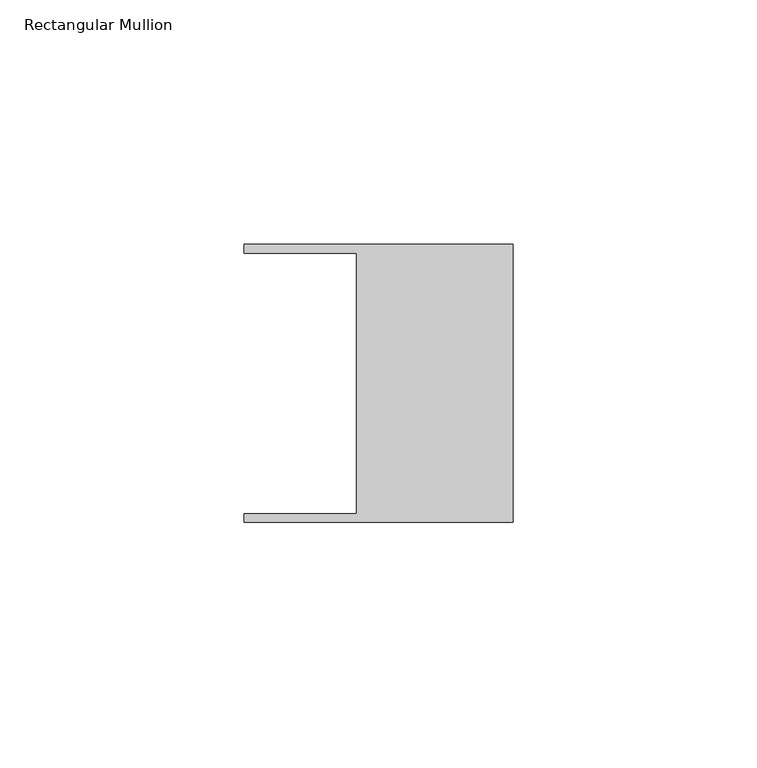
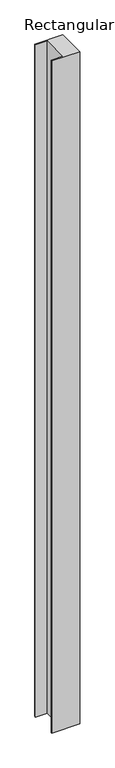
"""IFC4 building model written with IfcOpenShell, lengths in millimetres: member geometry, Rectangular Mullion."""

from ifc_helpers import new_model, si_unit, frame, origin, place, context, project, spatial, polyline, outline, extrude, source, transform, mapped, element, save


def rectangular_mullion_8103b32d(model_context):
    return source(origin(), model_context, "Body", "SweptSolid", [
        extrude(outline(polyline([(-32.004, -26.67), (-32.004, 26.67), (-54.991, 26.67), (-54.991, 28.448), (0.0, 28.448), (0.0, -28.448), (-54.991, -28.448), (-54.991, -26.67), (-32.004, -26.67)])), frame((0.0, 0.0, -1397.0), z_axis=(0.0, 0.0, 1.0), x_axis=(1.0, 0.0, 0.0)), (0.0, 0.0, 1.0), 1397.0),
    ])


if __name__ == "__main__":
    model = new_model("IFC4")
    model_context = context("Model", 3, world=origin())
    ifc_project = project(units=[si_unit("LENGTHUNIT", "METRE", prefix="MILLI")], contexts=[model_context])
    site = spatial("IfcSite", under=ifc_project)
    building = spatial("IfcBuilding", under=site)
    placement = place(None, origin())
    rectangular_mullion_shape = rectangular_mullion_8103b32d(model_context)
    element("IfcMember", 1, ObjectType="Rectangular Mullion", at=placement, inside=building, context=model_context, shape_type="MappedRepresentation", body=[
        mapped(rectangular_mullion_shape, transform((0.0, 0.0, 0.0), x_axis=(1.0, 0.0, 0.0), y_axis=(0.0, 1.0, 0.0), z_axis=(0.0, 0.0, 1.0))),
    ])
    save(model, "model.ifc")
